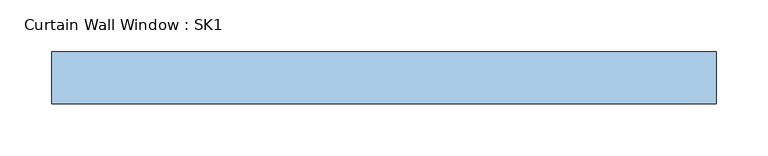
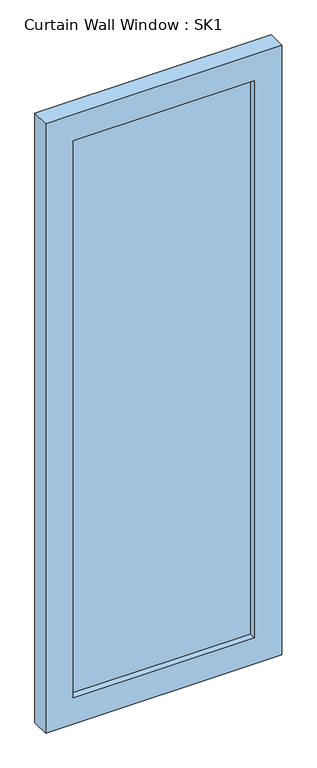
"""IFC4 building model written with IfcOpenShell, lengths in millimetres: window geometry, Curtain Wall Window : SK1."""

from ifc_helpers import new_model, si_unit, frame, origin, place, context, project, spatial, polyline, outline, extrude, source, transform, mapped, element, save


def curtain_wall_window_sk1_cfe0b3ac(model_context):
    return source(origin(), model_context, "Body", "SweptSolid", [
        extrude(outline(polyline([(245.8333333, -44.05), (245.8333333, -56.75), (-245.8333333, -56.75), (-245.8333333, -44.05), (245.8333333, -44.05)])), frame((0.0, 0.0, 75.0), z_axis=(0.0, 0.0, 1.0), x_axis=(1.0, 0.0, 0.0)), (0.0, 0.0, 1.0), 1600.0),
        extrude(outline(polyline([(1750.0, -320.8333333), (0.0, -320.8333333), (0.0, 320.8333333), (1750.0, 320.8333333), (1750.0, -320.8333333)]), holes=[polyline([(1675.0, -245.8333333), (1675.0, 245.8333333), (75.0, 245.8333333), (75.0, -245.8333333), (1675.0, -245.8333333)])]), frame((0.0, -75.0, 0.0), z_axis=(0.0, 1.0, 0.0), x_axis=(0.0, 0.0, 1.0)), (0.0, 0.0, 1.0), 50.0),
    ])


if __name__ == "__main__":
    model = new_model("IFC4")
    model_context = context("Model", 3, world=origin())
    ifc_project = project(units=[si_unit("LENGTHUNIT", "METRE", prefix="MILLI")], contexts=[model_context])
    site = spatial("IfcSite", under=ifc_project)
    building = spatial("IfcBuilding", under=site)
    placement = place(None, origin())
    curtain_wall_window_sk1_shape = curtain_wall_window_sk1_cfe0b3ac(model_context)
    element("IfcWindow", 1, ObjectType="Curtain Wall Window : SK1", at=placement, inside=building, context=model_context, shape_type="MappedRepresentation", body=[
        mapped(curtain_wall_window_sk1_shape, transform((0.0, 0.0, 0.0), x_axis=(1.0, 0.0, 0.0), y_axis=(0.0, 1.0, 0.0), z_axis=(0.0, 0.0, 1.0))),
    ])
    save(model, "model.ifc")
